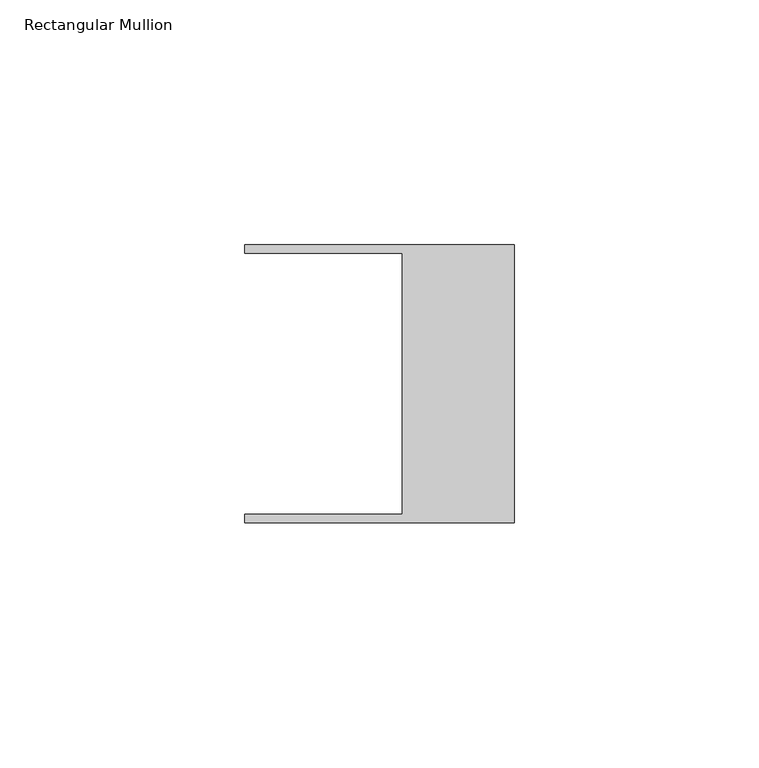
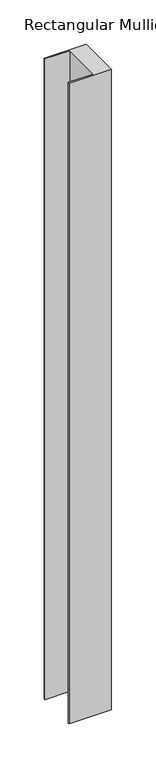
"""IFC4 building model written with IfcOpenShell, lengths in millimetres: member geometry, Rectangular Mullion."""

from ifc_helpers import new_model, si_unit, frame, origin, place, context, project, spatial, polyline, outline, extrude, source, transform, mapped, element, save


def rectangular_mullion_973602bb(model_context):
    return source(origin(), model_context, "Body", "SweptSolid", [
        extrude(outline(polyline([(-55.118, -26.67), (-22.86, -26.67), (-22.86, 26.67), (-55.118, 26.67), (-55.118, 28.448), (0.0, 28.448), (0.0, -28.448), (-55.118, -28.448), (-55.118, -26.67)])), frame((0.0, 0.0, -885.8124), z_axis=(0.0, 0.0, 1.0), x_axis=(1.0, 0.0, 0.0)), (0.0, 0.0, 1.0), 885.8124),
    ])


if __name__ == "__main__":
    model = new_model("IFC4")
    model_context = context("Model", 3, world=origin())
    ifc_project = project(units=[si_unit("LENGTHUNIT", "METRE", prefix="MILLI")], contexts=[model_context])
    site = spatial("IfcSite", under=ifc_project)
    building = spatial("IfcBuilding", under=site)
    placement = place(None, origin())
    rectangular_mullion_shape = rectangular_mullion_973602bb(model_context)
    element("IfcMember", 1, ObjectType="Rectangular Mullion", at=placement, inside=building, context=model_context, shape_type="MappedRepresentation", body=[
        mapped(rectangular_mullion_shape, transform((0.0, 0.0, 0.0), x_axis=(1.0, 0.0, 0.0), y_axis=(0.0, 1.0, 0.0), z_axis=(0.0, 0.0, 1.0))),
    ])
    save(model, "model.ifc")
